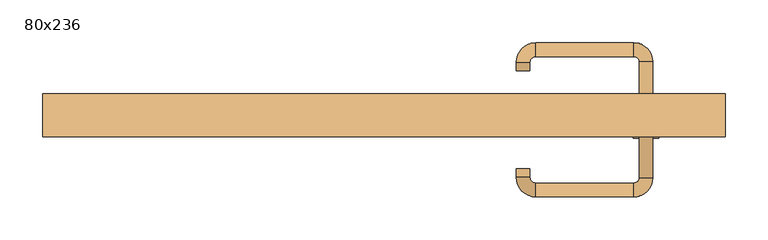
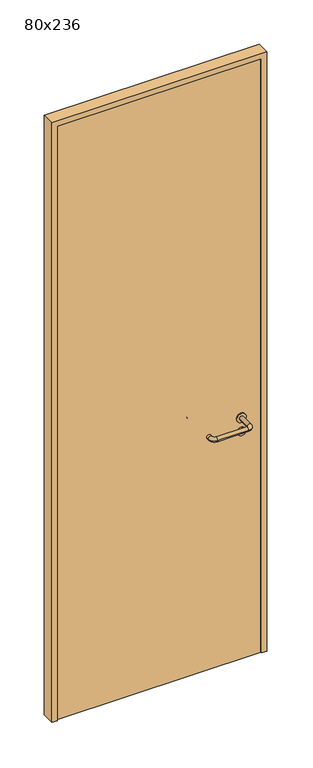
"""IFC4 building model written with IfcOpenShell, lengths in millimetres: door geometry, 80x236."""

import ifcopenshell
import ifcopenshell.guid

model = None  # the IFC model being written
_history = None  # IfcOwnerHistory: only IFC2X3 demands one
_inside = {}  # id of a spatial element -> (the spatial element, [elements in it])
_under = {}  # id of a project, library or spatial element -> (it, [spatial elements below it])
_declared = {}  # id of a project -> (the project, [libraries it declares])
_typed = {}  # id of a type object -> (the type object, [elements of that type])
_made_of = {}  # id of a material, layer set ... -> (it, [elements and type objects made of it])


def new_model(schema):
    """Start an empty IFC model of exactly this schema.

    Asked for "IFC4X3", IfcOpenShell would pick the latest addendum, in which some entities
    have other attributes; the version numbers below select the first issue.
    IFC2X3 requires an IfcOwnerHistory on every rooted entity: one is made here for all.
    """
    global model, _history
    if schema == "IFC4X3":
        model = ifcopenshell.file(schema_version=(4, 3, 0, 0))
    else:
        model = ifcopenshell.file(schema=schema)
    _inside.clear()
    _under.clear()
    _declared.clear()
    _typed.clear()
    _made_of.clear()
    _history = None
    if model.schema == "IFC2X3":
        org = make("IfcOrganization", Name="unknown")
        user = make(
            "IfcPersonAndOrganization",
            ThePerson=make("IfcPerson", FamilyName="unknown"),
            TheOrganization=org,
        )
        app = make(
            "IfcApplication",
            ApplicationDeveloper=org,
            Version="unknown",
            ApplicationFullName="unknown",
            ApplicationIdentifier="unknown",
        )
        _history = make(
            "IfcOwnerHistory",
            OwningUser=user,
            OwningApplication=app,
            ChangeAction="ADDED",
            CreationDate=0,
        )
    return model


def make(cls, **values):
    """One entity of the class cls with the attributes given. An attribute that is None is left unset."""
    return model.create_entity(
        cls, **{name: value for name, value in values.items() if value is not None}
    )


def rooted(cls, **values):
    """An entity with a GlobalId (a new one), such as an element, a storey or a relation."""
    return make(cls, GlobalId=ifcopenshell.guid.new(), OwnerHistory=_history, **values)


def si_unit(unit_type, name, prefix=None):
    """IfcSIUnit, for example si_unit("LENGTHUNIT", "METRE", prefix="MILLI")."""
    return make("IfcSIUnit", UnitType=unit_type, Prefix=prefix, Name=name)


def assignment(units):
    """IfcUnitAssignment: the units of a project."""
    return None if units is None else make("IfcUnitAssignment", Units=units)


def point(xyz):
    """IfcCartesianPoint."""
    return None if xyz is None else make("IfcCartesianPoint", Coordinates=xyz)


def direction(xyz):
    """IfcDirection."""
    return None if xyz is None else make("IfcDirection", DirectionRatios=xyz)


def frame(location, z_axis=None, x_axis=None):
    """IfcAxis2Placement3D, a coordinate frame: its origin and axes. An axis left out is left unset."""
    return make(
        "IfcAxis2Placement3D",
        Location=point(location),
        Axis=direction(z_axis),
        RefDirection=direction(x_axis),
    )


def frame_2d(location, x_axis=None):
    """IfcAxis2Placement2D, a coordinate frame in the plane: its origin and x axis."""
    return make(
        "IfcAxis2Placement2D", Location=point(location), RefDirection=direction(x_axis)
    )


def origin():
    """The frame at (0, 0, 0) with its axes left unset."""
    return frame((0.0, 0.0, 0.0))


def origin_with_axes():
    """The frame at (0, 0, 0) with the z axis (0, 0, 1) and the x axis (1, 0, 0) written out."""
    return frame((0.0, 0.0, 0.0), z_axis=(0.0, 0.0, 1.0), x_axis=(1.0, 0.0, 0.0))


def place(relative_to, where):
    """IfcLocalPlacement: puts the frame where relative to a parent placement (None: the world)."""
    return make(
        "IfcLocalPlacement", PlacementRelTo=relative_to, RelativePlacement=where
    )


def context(
    kind, dimensions, precision=None, world=None, true_north=None, identifier=None
):
    """IfcGeometricRepresentationContext, for example the 3D "Model" context."""
    return make(
        "IfcGeometricRepresentationContext",
        ContextIdentifier=identifier,
        ContextType=kind,
        CoordinateSpaceDimension=dimensions,
        Precision=precision,
        WorldCoordinateSystem=world,
        TrueNorth=true_north,
    )


def project(units=None, contexts=None):
    """IfcProject with its units and contexts."""
    return rooted(
        "IfcProject",
        Name="project",
        RepresentationContexts=contexts,
        UnitsInContext=assignment(units),
    )


def spatial(cls, under=None, at=None, **own):
    """A site, building, storey or space (cls), placed at a placement, below another one or the project."""
    s = rooted(cls, ObjectPlacement=at, **own)
    if under is not None:
        _under.setdefault(under.id(), (under, []))[1].append(s)
    return s


def polyline(points):
    """IfcPolyline through the points."""
    return make("IfcPolyline", Points=[point(p) for p in points])


def circle_curve(where, radius):
    """IfcCircle in the frame where."""
    return make("IfcCircle", Position=where, Radius=radius)


def ellipse_curve(where, semi_axis1, semi_axis2):
    """IfcEllipse in the frame where."""
    return make(
        "IfcEllipse", Position=where, SemiAxis1=semi_axis1, SemiAxis2=semi_axis2
    )


def trimmed(basis, trim1, trim2, sense, master):
    """IfcTrimmedCurve: the piece of a basis curve between two trims."""
    return make(
        "IfcTrimmedCurve",
        BasisCurve=basis,
        Trim1=trim1,
        Trim2=trim2,
        SenseAgreement=sense,
        MasterRepresentation=master,
    )


def segment(curve, same_sense, transition):
    """IfcCompositeCurveSegment."""
    return make(
        "IfcCompositeCurveSegment",
        Transition=transition,
        SameSense=same_sense,
        ParentCurve=curve,
    )


def composite_curve(segments, self_intersect=None):
    """IfcCompositeCurve: segments joined end to end."""
    return make("IfcCompositeCurve", Segments=segments, SelfIntersect=self_intersect)


def outline(outer, holes=None, kind="AREA"):
    """IfcArbitraryClosedProfileDef: a profile drawn as a closed curve; with holes, ...WithVoids."""
    if holes is None:
        return make("IfcArbitraryClosedProfileDef", ProfileType=kind, OuterCurve=outer)
    return make(
        "IfcArbitraryProfileDefWithVoids",
        ProfileType=kind,
        OuterCurve=outer,
        InnerCurves=holes,
    )


def extrude(swept, where, along, depth):
    """IfcExtrudedAreaSolid: the profile swept, set in the frame where, extruded along a direction by depth."""
    return make(
        "IfcExtrudedAreaSolid",
        SweptArea=swept,
        Position=where,
        ExtrudedDirection=direction(along),
        Depth=depth,
    )


def shape(context_of_items, identifier, shape_type, items):
    """IfcShapeRepresentation: the items that make up one representation, for example the "Body"."""
    return make(
        "IfcShapeRepresentation",
        ContextOfItems=context_of_items,
        RepresentationIdentifier=identifier,
        RepresentationType=shape_type,
        Items=items,
    )


def source(mapping_origin, context_of_items, identifier, shape_type, items):
    """IfcRepresentationMap: a shape defined once, which mapped items show again and again."""
    return make(
        "IfcRepresentationMap",
        MappingOrigin=mapping_origin,
        MappedRepresentation=shape(context_of_items, identifier, shape_type, items),
    )


def transform(
    local_origin,
    x_axis=None,
    y_axis=None,
    z_axis=None,
    scale=None,
    scale2=None,
    scale3=None,
    uniform=True,
):
    """IfcCartesianTransformationOperator3D, or its non-uniform kind. x_axis, y_axis, z_axis: its Axis1, 2, 3."""
    if uniform:
        return make(
            "IfcCartesianTransformationOperator3D",
            Axis1=direction(x_axis),
            Axis2=direction(y_axis),
            LocalOrigin=point(local_origin),
            Scale=scale,
            Axis3=direction(z_axis),
        )
    return make(
        "IfcCartesianTransformationOperator3DnonUniform",
        Axis1=direction(x_axis),
        Axis2=direction(y_axis),
        LocalOrigin=point(local_origin),
        Scale=scale,
        Axis3=direction(z_axis),
        Scale2=scale2,
        Scale3=scale3,
    )


def mapped(mapping_source, mapping_target):
    """IfcMappedItem: shows the shape of a source again, moved by a transform."""
    return make(
        "IfcMappedItem", MappingSource=mapping_source, MappingTarget=mapping_target
    )


def made_of(thing, what):
    """Note that an element or type object is made of a material, layer set ...; save() writes the relation."""
    if what is not None:
        _made_of.setdefault(what.id(), (what, []))[1].append(thing)
    return thing


def element(
    cls,
    number,
    at=None,
    inside=None,
    cuts=None,
    type_object=None,
    material=None,
    context=None,
    identifier="Body",
    shape_type=None,
    held_by="IfcProductDefinitionShape",
    body=None,
    shapes=None,
    **own,
):
    """One element of the class cls, such as IfcWall. Its Tag is "e" and its number.

    at: its placement. inside: the storey or other place that contains it. cuts: it is an
    opening in that element (IfcRelVoidsElement). A single representation is given by context,
    identifier, shape_type and body (its items); several are given by shapes. held_by: the class
    of the entity that holds the representations. save() writes the other relations.
    """
    e = rooted(cls, Tag="e%d" % number, ObjectPlacement=at, **own)
    if body is not None:
        shapes = [shape(context, identifier, shape_type, body)]
    if shapes is not None:
        e.Representation = make(held_by, Representations=shapes)
    if inside is not None:
        _inside.setdefault(inside.id(), (inside, []))[1].append(e)
    if cuts is not None:
        rooted(
            "IfcRelVoidsElement", RelatingBuildingElement=cuts, RelatedOpeningElement=e
        )
    if type_object is not None:
        _typed.setdefault(type_object.id(), (type_object, []))[1].append(e)
    return made_of(e, material)


def aggregate(whole, parts):
    """IfcRelAggregates: a whole, such as a stair, and the parts it consists of."""
    return rooted("IfcRelAggregates", RelatingObject=whole, RelatedObjects=parts)


def save(model, path):
    """Write the relations noted so far, then the file.

    IfcRelAggregates (storeys below a building ...), IfcRelContainedInSpatialStructure (elements
    in a storey), IfcRelDefinesByType, IfcRelAssociatesMaterial and IfcRelDeclares: one each for
    every whole, place, type object, material and project.
    """
    for whole, parts in _under.values():
        aggregate(whole, parts)
    for where, things in _inside.values():
        rooted(
            "IfcRelContainedInSpatialStructure",
            RelatedElements=things,
            RelatingStructure=where,
        )
    for kind, things in _typed.values():
        rooted("IfcRelDefinesByType", RelatedObjects=things, RelatingType=kind)
    for what, things in _made_of.values():
        rooted("IfcRelAssociatesMaterial", RelatedObjects=things, RelatingMaterial=what)
    for by, libraries in _declared.values():
        rooted("IfcRelDeclares", RelatingContext=by, RelatedDefinitions=libraries)
    model.write(path)


def plane_surface(at):
    """IfcPlane: the flat surface through the origin of the frame at, square to its z axis."""
    return make("IfcPlane", Position=at)


def cylinder_surface(at, radius):
    """IfcCylindricalSurface: all points at the distance radius from the z axis of the frame at."""
    return make("IfcCylindricalSurface", Position=at, Radius=radius)


def revolved_surface(curve, axis_point, axis_direction):
    """IfcSurfaceOfRevolution: the curve turned about the line through axis_point along axis_direction."""
    return make(
        "IfcSurfaceOfRevolution",
        SweptCurve=make("IfcArbitraryOpenProfileDef", ProfileType="CURVE", Curve=curve),
        AxisPosition=make("IfcAxis1Placement", Location=point(axis_point), Axis=direction(axis_direction)),
    )


def advanced_brep(points, edges, surfaces, faces):
    """IfcAdvancedBrep: a solid bounded by faces that lie on surfaces and meet in shared edges.

    An edge is (start, end): straight between two places in points (the first is 0);
    or (start, end, curve); or (start, end, curve, False) where it runs against its curve.
    A face is (place in surfaces, loops), or (place, loops, False) where it looks against
    its surface's normal. A loop lists edges by number (the first is 1), with a minus sign
    where the edge is run from its end to its start. The first loop is the outer one.
    """
    corners = [point(p) for p in points]
    vertices = [make("IfcVertexPoint", VertexGeometry=c) for c in corners]
    made = []
    for start, end, *more in edges:
        made.append(
            make(
                "IfcEdgeCurve",
                EdgeStart=vertices[start],
                EdgeEnd=vertices[end],
                EdgeGeometry=more[0] if more else make("IfcPolyline", Points=[corners[start], corners[end]]),
                SameSense=more[1] if len(more) > 1 else True,
            )
        )
    hull = []
    for where, loops, *sense in faces:
        bounds = []
        for j, loop in enumerate(loops):
            ring = [make("IfcOrientedEdge", EdgeElement=made[abs(k) - 1], Orientation=k > 0) for k in loop]
            bounds.append(
                make(
                    "IfcFaceOuterBound" if j == 0 else "IfcFaceBound",
                    Bound=make("IfcEdgeLoop", EdgeList=ring),
                    Orientation=True,
                )
            )
        hull.append(make("IfcAdvancedFace", Bounds=bounds, FaceSurface=surfaces[where], SameSense=sense[0] if sense else True))
    return make("IfcAdvancedBrep", Outer=make("IfcClosedShell", CfsFaces=hull))


def door_80x236_053ee213(model_context):
    return source(origin(), model_context, "Body", "SolidModel", [
        extrude(outline(composite_curve([segment(trimmed(circle_curve(frame_2d((897.3605726, 307.0)), 15.0), [point((897.3605726, 322.0))], [point((897.3605726, 292.0))], False, "CARTESIAN"), True, "CONTINUOUS"), segment(trimmed(circle_curve(frame_2d((897.3605726, 307.0)), 15.0), [point((897.3605726, 292.0))], [point((897.3605726, 322.0))], False, "CARTESIAN"), True, "CONTINUOUS")], self_intersect=False), holes=[composite_curve([segment(trimmed(circle_curve(frame_2d((892.5833211, 306.9398032)), 2.0), [point((892.5833211, 308.9398032))], [point((892.5833211, 304.9398032))], True, "CARTESIAN"), True, "CONTINUOUS"), segment(polyline([(892.5833211, 304.9398032), (902.5833211, 304.9398032)]), True, "CONTINUOUS"), segment(trimmed(circle_curve(frame_2d((902.5833211, 306.9398032)), 2.0), [point((902.5833211, 304.9398032))], [point((902.5833211, 308.9398032))], True, "CARTESIAN"), True, "CONTINUOUS"), segment(polyline([(902.5833211, 308.9398032), (892.5833211, 308.9398032)]), True, "CONTINUOUS")], self_intersect=False)]), frame((0.0, -15.0, 0.0), z_axis=(0.0, 1.0, 0.0), x_axis=(0.0, 0.0, 1.0)), (0.0, 0.0, 1.0), 6.35),
        extrude(outline(composite_curve([segment(trimmed(circle_curve(frame_2d((950.0, 307.0)), 17.526), [point((950.0, 324.526))], [point((950.0, 289.474))], False, "CARTESIAN"), True, "CONTINUOUS"), segment(trimmed(circle_curve(frame_2d((950.0, 307.0)), 17.526), [point((950.0, 289.474))], [point((950.0, 324.526))], False, "CARTESIAN"), True, "CONTINUOUS")], self_intersect=False)), frame((0.0, -15.0, 0.0), z_axis=(0.0, 1.0, 0.0), x_axis=(0.0, 0.0, 1.0)), (0.0, 0.0, 1.0), 3.175),
        advanced_brep(
        [(315.0, -15.0, 950.0), (299.0, -15.0, 950.0), (315.0, 38.0, 950.0), (299.0, 38.0, 950.0), (292.8578644, 44.1421356, 950.0), (292.8578644, 60.1421356, 950.0), (177.8578644, 60.1421356, 950.0), (177.8578644, 44.1421356, 950.0), (171.008622, 37.2928932, 950.0), (155.008622, 37.2928932, 950.0), (155.008622, 27.2928932, 950.0), (171.008622, 27.2928932, 950.0)],
        [
            (0, 1, circle_curve(frame((307.0, -15.0, 950.0), z_axis=(0.0, -1.0, 0.0), x_axis=(-1.0, 0.0, 0.0)), 8.0)),
            (1, 0, circle_curve(frame((307.0, -15.0, 950.0), z_axis=(0.0, -1.0, 0.0), x_axis=(-1.0, 0.0, 0.0)), 8.0)),
            (0, 2),
            (2, 3, circle_curve(frame((307.0, 38.0, 950.0), z_axis=(0.0, -1.0, 0.0), x_axis=(-1.0, 0.0, 0.0)), 8.0)),
            (3, 1),
            (3, 2, circle_curve(frame((307.0, 38.0, 950.0), z_axis=(0.0, -1.0, 0.0), x_axis=(-1.0, 0.0, 0.0)), 8.0)),
            (4, 3, circle_curve(frame((292.8578644, 38.0, 950.0), z_axis=(0.0, 0.0, -1.0), x_axis=(1.0, 0.0, 0.0)), 6.1421356)),
            (2, 5, circle_curve(frame((292.8578644, 38.0, 950.0), z_axis=(0.0, 0.0, 1.0), x_axis=(1.0, 0.0, 0.0)), 22.1421356)),
            (5, 4, circle_curve(frame((292.8578644, 52.1421356, 950.0), z_axis=(1.0, 0.0, 0.0), x_axis=(0.0, -1.0, 0.0)), 8.0)),
            (4, 5, circle_curve(frame((292.8578644, 52.1421356, 950.0), z_axis=(1.0, 0.0, 0.0), x_axis=(0.0, -1.0, 0.0)), 8.0)),
            (5, 6),
            (6, 7, circle_curve(frame((177.8578644, 52.1421356, 950.0), z_axis=(1.0, 0.0, 0.0), x_axis=(0.0, -1.0, 0.0)), 8.0)),
            (7, 4),
            (7, 6, circle_curve(frame((177.8578644, 52.1421356, 950.0), z_axis=(1.0, 0.0, 0.0), x_axis=(0.0, -1.0, 0.0)), 8.0)),
            (8, 7, circle_curve(frame((177.8578644, 37.2928932, 950.0), z_axis=(0.0, 0.0, -1.0), x_axis=(0.0, 1.0, 0.0)), 6.8492424)),
            (6, 9, circle_curve(frame((177.8578644, 37.2928932, 950.0), z_axis=(0.0, 0.0, 1.0), x_axis=(0.0, 1.0, 0.0)), 22.8492424)),
            (9, 8, circle_curve(frame((163.008622, 37.2928932, 950.0), z_axis=(0.0, 1.0, 0.0), x_axis=(1.0, 0.0, 0.0)), 8.0)),
            (8, 9, circle_curve(frame((163.008622, 37.2928932, 950.0), z_axis=(0.0, 1.0, 0.0), x_axis=(1.0, 0.0, 0.0)), 8.0)),
            (10, 11, circle_curve(frame((163.008622, 27.2928932, 950.0), z_axis=(0.0, -1.0, 0.0), x_axis=(1.0, 0.0, 0.0)), 8.0)),
            (11, 10, circle_curve(frame((163.008622, 27.2928932, 950.0), z_axis=(0.0, -1.0, 0.0), x_axis=(1.0, 0.0, 0.0)), 8.0)),
            (9, 10),
            (11, 8),
        ],
        [
            plane_surface(frame((307.0, -15.0, 0.0), z_axis=(0.0, -1.0, 0.0), x_axis=(0.0, 0.0, 1.0))),
            cylinder_surface(frame((307.0, -15.0, 950.0), z_axis=(0.0, -1.0, 0.0), x_axis=(-1.0, 0.0, 0.0)), 8.0),
            revolved_surface(trimmed(ellipse_curve(frame((307.0, 38.0, 950.0), z_axis=(0.0, -1.0, 0.0), x_axis=(-1.0, 0.0, 0.0)), 8.0, 8.0), [point((315.0, 38.0, 950.0))], [point((299.0, 38.0, 950.0))], True, "CARTESIAN"), (292.8578644, 38.0, 0.0), (0.0, 0.0, 1.0)),
            revolved_surface(trimmed(ellipse_curve(frame((307.0, 38.0, 950.0), z_axis=(0.0, -1.0, 0.0), x_axis=(-1.0, 0.0, 0.0)), 8.0, 8.0), [point((299.0, 38.0, 950.0))], [point((315.0, 38.0, 950.0))], True, "CARTESIAN"), (292.8578644, 38.0, 0.0), (0.0, 0.0, 1.0)),
            cylinder_surface(frame((292.8578644, 52.1421356, 950.0), z_axis=(1.0, 0.0, 0.0), x_axis=(0.0, -1.0, 0.0)), 8.0),
            revolved_surface(trimmed(ellipse_curve(frame((177.8578644, 52.1421356, 950.0), z_axis=(1.0, 0.0, 0.0), x_axis=(0.0, -1.0, 0.0)), 8.0, 8.0), [point((177.8578644, 60.1421356, 950.0))], [point((177.8578644, 44.1421356, 950.0))], True, "CARTESIAN"), (177.8578644, 37.2928932, 0.0), (0.0, 0.0, 1.0)),
            revolved_surface(trimmed(ellipse_curve(frame((177.8578644, 52.1421356, 950.0), z_axis=(1.0, 0.0, 0.0), x_axis=(0.0, -1.0, 0.0)), 8.0, 8.0), [point((177.8578644, 44.1421356, 950.0))], [point((177.8578644, 60.1421356, 950.0))], True, "CARTESIAN"), (177.8578644, 37.2928932, 0.0), (0.0, 0.0, 1.0)),
            plane_surface(frame((163.008622, 27.2928932, 0.0), z_axis=(0.0, -1.0, 0.0), x_axis=(0.0, 0.0, 1.0))),
            cylinder_surface(frame((163.008622, 37.2928932, 950.0), z_axis=(0.0, 1.0, 0.0), x_axis=(1.0, 0.0, 0.0)), 8.0),
        ],
        [
            (0, [[1, 2]]),
            (1, [[-1, 3, 4, 5]]),
            (1, [[-2, -5, 6, -3]]),
            (2, [[7, -4, 8, 9]]),
            (3, [[-8, -6, -7, 10]]),
            (4, [[-9, 11, 12, 13]]),
            (4, [[-10, -13, 14, -11]]),
            (5, [[15, -12, 16, 17]]),
            (6, [[-16, -14, -15, 18]]),
            (7, [[19, 20]]),
            (8, [[-17, 21, -20, 22]]),
            (8, [[-18, -22, -19, -21]]),
        ],
    ),
        extrude(outline(composite_curve([segment(trimmed(circle_curve(frame_2d((0.0, 15.0)), 15.0), [point((0.0, 30.0))], [point((0.0, 0.0))], False, "CARTESIAN"), True, "CONTINUOUS"), segment(trimmed(circle_curve(frame_2d((0.0, 15.0)), 15.0), [point((0.0, 0.0))], [point((0.0, 30.0))], False, "CARTESIAN"), True, "CONTINUOUS")], self_intersect=False), holes=[composite_curve([segment(trimmed(circle_curve(frame_2d((-4.7772515, 14.9398032)), 2.0), [point((-4.7772515, 16.9398032))], [point((-4.7772515, 12.9398032))], True, "CARTESIAN"), True, "CONTINUOUS"), segment(polyline([(-4.7772515, 12.9398032), (5.2227485, 12.9398032)]), True, "CONTINUOUS"), segment(trimmed(circle_curve(frame_2d((5.2227485, 14.9398032)), 2.0), [point((5.2227485, 12.9398032))], [point((5.2227485, 16.9398032))], True, "CARTESIAN"), True, "CONTINUOUS"), segment(polyline([(5.2227485, 16.9398032), (-4.7772515, 16.9398032)]), True, "CONTINUOUS")], self_intersect=False)]), frame((292.0, -51.35, 897.3605726), z_axis=(-1.8870575173328306e-12, 1.0, 0.0), x_axis=(0.0, 0.0, 1.0)), (0.0, 0.0, 1.0), 6.35),
        extrude(outline(composite_curve([segment(trimmed(circle_curve(frame_2d((0.0, 17.526)), 17.526), [point((0.0, 35.052))], [point((0.0, 0.0))], False, "CARTESIAN"), True, "CONTINUOUS"), segment(trimmed(circle_curve(frame_2d((0.0, 17.526)), 17.526), [point((0.0, 0.0))], [point((0.0, 35.052))], False, "CARTESIAN"), True, "CONTINUOUS")], self_intersect=False)), frame((289.474, -48.175, 950.0), z_axis=(-1.8870575173328306e-12, 1.0, 0.0), x_axis=(0.0, 0.0, 1.0)), (0.0, 0.0, 1.0), 3.175),
        advanced_brep(
        [(315.0, -45.0, 950.0), (299.0, -45.0, 950.0), (299.0, -98.0, 950.0), (315.0, -98.0, 950.0), (292.8578644, -104.1421356, 950.0), (292.8578644, -120.1421356, 950.0), (177.8578644, -104.1421356, 950.0), (177.8578644, -120.1421356, 950.0), (171.008622, -97.2928932, 950.0), (155.008622, -97.2928932, 950.0), (155.008622, -87.2928932, 950.0), (171.008622, -87.2928932, 950.0)],
        [
            (0, 1, circle_curve(frame((307.0, -45.0, 950.0), z_axis=(-1.888672253512351e-12, 1.0, 0.0), x_axis=(-1.0, -1.888672253512351e-12, 0.0)), 8.0)),
            (1, 0, circle_curve(frame((307.0, -45.0, 950.0), z_axis=(-1.888672253512351e-12, 1.0, 0.0), x_axis=(-1.0, -1.888672253512351e-12, 0.0)), 8.0)),
            (1, 2),
            (2, 3, circle_curve(frame((307.0, -98.0, 950.0), z_axis=(-1.888672253512351e-12, 1.0, 0.0), x_axis=(-1.0, -1.888672253512351e-12, 0.0)), 8.0)),
            (3, 0),
            (3, 2, circle_curve(frame((307.0, -98.0, 950.0), z_axis=(-1.888672253512351e-12, 1.0, 0.0), x_axis=(-1.0, -1.888672253512351e-12, 0.0)), 8.0)),
            (4, 5, circle_curve(frame((292.8578644, -112.1421356, 950.0), z_axis=(1.0, 1.913702061528922e-12, 0.0), x_axis=(-1.913702061528922e-12, 1.0, 0.0)), 8.0)),
            (5, 3, circle_curve(frame((292.8578644, -98.0, 950.0), z_axis=(0.0, 0.0, 1.0), x_axis=(1.0, 1.880717803715015e-12, 0.0)), 22.1421356)),
            (2, 4, circle_curve(frame((292.8578644, -98.0, 950.0), z_axis=(0.0, 0.0, -1.0), x_axis=(1.0, 1.880717803715015e-12, 0.0)), 6.1421356)),
            (5, 4, circle_curve(frame((292.8578644, -112.1421356, 950.0), z_axis=(1.0, 1.913702061528922e-12, 0.0), x_axis=(-1.913702061528922e-12, 1.0, 0.0)), 8.0)),
            (4, 6),
            (6, 7, circle_curve(frame((177.8578644, -112.1421356, 950.0), z_axis=(1.0, 1.913719828541269e-12, 0.0), x_axis=(-1.913719828541269e-12, 1.0, 0.0)), 8.0)),
            (7, 5),
            (7, 6, circle_curve(frame((177.8578644, -112.1421356, 950.0), z_axis=(1.0, 1.913719828541269e-12, 0.0), x_axis=(-1.913719828541269e-12, 1.0, 0.0)), 8.0)),
            (8, 9, circle_curve(frame((163.008622, -97.2928932, 950.0), z_axis=(1.8888942981172756e-12, -1.0, 0.0), x_axis=(1.0, 1.8888942981172756e-12, 0.0)), 8.0)),
            (9, 7, circle_curve(frame((177.8578644, -97.2928932, 950.0), z_axis=(0.0, 0.0, 1.0), x_axis=(1.9120873253494017e-12, -1.0, 0.0)), 22.8492424)),
            (6, 8, circle_curve(frame((177.8578644, -97.2928932, 950.0), z_axis=(0.0, 0.0, -1.0), x_axis=(1.9120873253494017e-12, -1.0, 0.0)), 6.8492424)),
            (9, 8, circle_curve(frame((163.008622, -97.2928932, 950.0), z_axis=(1.890448610351751e-12, -1.0, 0.0), x_axis=(1.0, 1.890448610351751e-12, 0.0)), 8.0)),
            (10, 11, circle_curve(frame((163.008622, -87.2928932, 950.0), z_axis=(-1.8903642334018795e-12, 1.0, 0.0), x_axis=(1.0, 1.8903642334018795e-12, 0.0)), 8.0)),
            (11, 10, circle_curve(frame((163.008622, -87.2928932, 950.0), z_axis=(-1.8903642334018795e-12, 1.0, 0.0), x_axis=(1.0, 1.8903642334018795e-12, 0.0)), 8.0)),
            (8, 11),
            (10, 9),
        ],
        [
            plane_surface(frame((307.0, -45.0, 0.0), z_axis=(-1.8870575173328306e-12, 1.0, 0.0), x_axis=(0.0, 0.0, 1.0))),
            cylinder_surface(frame((307.0, -45.0, 950.0), z_axis=(-1.888672253512351e-12, 1.0, 0.0), x_axis=(-1.0, -1.888672253512351e-12, 0.0)), 8.0),
            revolved_surface(trimmed(ellipse_curve(frame((307.0, -98.0, 950.0), z_axis=(1.8823325398945356e-12, -1.0, 0.0), x_axis=(-1.0, -1.8823325398945356e-12, 0.0)), 8.0, 8.0), [point((315.0, -98.0, 950.0))], [point((299.0, -98.0, 950.0))], True, "CARTESIAN"), (292.8578644, -98.0, 0.0), (0.0, 0.0, 1.0)),
            revolved_surface(trimmed(ellipse_curve(frame((307.0, -98.0, 950.0), z_axis=(1.8823325398945356e-12, -1.0, 0.0), x_axis=(-1.0, -1.8823325398945356e-12, 0.0)), 8.0, 8.0), [point((299.0, -98.0, 950.0))], [point((315.0, -98.0, 950.0))], True, "CARTESIAN"), (292.8578644, -98.0, 0.0), (0.0, 0.0, 1.0)),
            cylinder_surface(frame((292.8578644, -112.1421356, 950.0), z_axis=(1.0, 1.913719828541269e-12, 0.0), x_axis=(-1.913719828541269e-12, 1.0, 0.0)), 8.0),
            revolved_surface(trimmed(ellipse_curve(frame((177.8578644, -112.1421356, 950.0), z_axis=(-1.0, -1.913702061528922e-12, 0.0), x_axis=(-1.913702061528922e-12, 1.0, 0.0)), 8.0, 8.0), [point((177.8578644, -120.1421356, 950.0))], [point((177.8578644, -104.1421356, 950.0))], True, "CARTESIAN"), (177.8578644, -97.2928932, 0.0), (0.0, 0.0, 1.0)),
            revolved_surface(trimmed(ellipse_curve(frame((177.8578644, -112.1421356, 950.0), z_axis=(-1.0, -1.913702061528922e-12, 0.0), x_axis=(-1.913702061528922e-12, 1.0, 0.0)), 8.0, 8.0), [point((177.8578644, -104.1421356, 950.0))], [point((177.8578644, -120.1421356, 950.0))], True, "CARTESIAN"), (177.8578644, -97.2928932, 0.0), (0.0, 0.0, 1.0)),
            plane_surface(frame((163.008622, -87.2928932, 0.0), z_axis=(-1.8887494972223595e-12, 1.0, 0.0), x_axis=(0.0, 0.0, 1.0))),
            cylinder_surface(frame((163.008622, -97.2928932, 950.0), z_axis=(1.8903642334018795e-12, -1.0, 0.0), x_axis=(1.0, 1.8903642334018795e-12, 0.0)), 8.0),
        ],
        [
            (0, [[1, 2]]),
            (1, [[3, 4, 5, -2]]),
            (1, [[-5, 6, -3, -1]]),
            (2, [[7, 8, -4, 9]]),
            (3, [[10, -9, -6, -8]]),
            (4, [[11, 12, 13, -7]]),
            (4, [[-13, 14, -11, -10]]),
            (5, [[15, 16, -12, 17]]),
            (6, [[18, -17, -14, -16]]),
            (7, [[19, 20]]),
            (8, [[21, -19, 22, -15]]),
            (8, [[-22, -20, -21, -18]]),
        ],
    ),
        extrude(outline(polyline([(2340.0, 380.0), (0.0, 380.0), (0.0, 400.0), (2360.0, 400.0), (2360.0, -400.0), (0.0, -400.0), (0.0, -380.0), (2340.0, -380.0), (2340.0, 380.0)])), frame((0.0, -50.0, 0.0), z_axis=(0.0, 1.0, 0.0), x_axis=(0.0, 0.0, 1.0)), (0.0, 0.0, 1.0), 50.0),
        extrude(outline(polyline([(-380.0, -45.0), (-380.0, -15.0), (380.0, -15.0), (380.0, -45.0), (-380.0, -45.0)])), origin_with_axes(), (0.0, 0.0, 1.0), 2340.0),
    ])


if __name__ == "__main__":
    model = new_model("IFC4")
    model_context = context("Model", 3, world=origin())
    ifc_project = project(units=[si_unit("LENGTHUNIT", "METRE", prefix="MILLI")], contexts=[model_context])
    site = spatial("IfcSite", under=ifc_project)
    building = spatial("IfcBuilding", under=site)
    placement = place(None, origin())
    door_80x236_shape = door_80x236_053ee213(model_context)
    element("IfcDoor", 1, ObjectType="80x236", at=placement, inside=building, context=model_context, shape_type="MappedRepresentation", body=[
        mapped(door_80x236_shape, transform((0.0, 0.0, 0.0), x_axis=(1.0, 0.0, 0.0), y_axis=(0.0, 1.0, 0.0), z_axis=(0.0, 0.0, 1.0))),
    ])
    save(model, "model.ifc")
